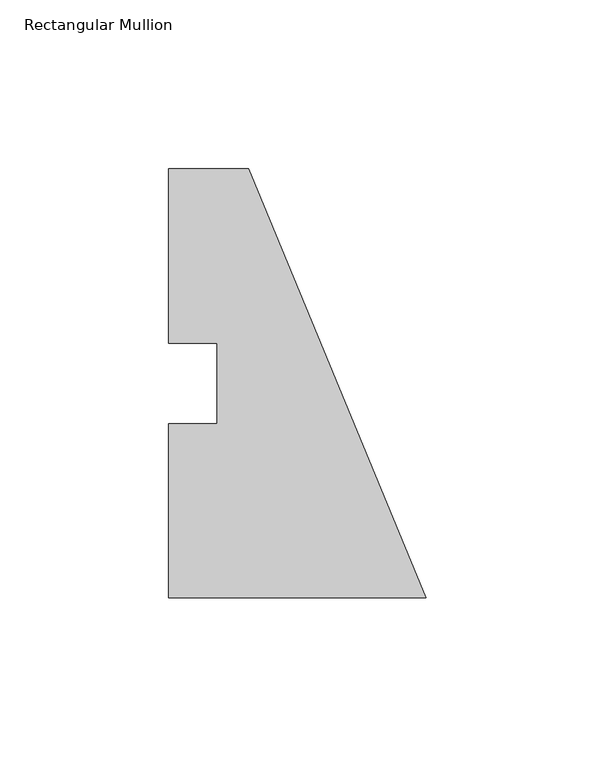
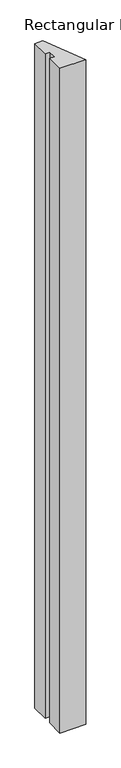
"""IFC4 building model written with IfcOpenShell, lengths in millimetres: member geometry, Rectangular Mullion."""

import ifcopenshell
import ifcopenshell.guid

model = None  # the IFC model being written
_history = None  # IfcOwnerHistory: only IFC2X3 demands one
_inside = {}  # id of a spatial element -> (the spatial element, [elements in it])
_under = {}  # id of a project, library or spatial element -> (it, [spatial elements below it])
_declared = {}  # id of a project -> (the project, [libraries it declares])
_typed = {}  # id of a type object -> (the type object, [elements of that type])
_made_of = {}  # id of a material, layer set ... -> (it, [elements and type objects made of it])


def new_model(schema):
    """Start an empty IFC model of exactly this schema.

    Asked for "IFC4X3", IfcOpenShell would pick the latest addendum, in which some entities
    have other attributes; the version numbers below select the first issue.
    IFC2X3 requires an IfcOwnerHistory on every rooted entity: one is made here for all.
    """
    global model, _history
    if schema == "IFC4X3":
        model = ifcopenshell.file(schema_version=(4, 3, 0, 0))
    else:
        model = ifcopenshell.file(schema=schema)
    _inside.clear()
    _under.clear()
    _declared.clear()
    _typed.clear()
    _made_of.clear()
    _history = None
    if model.schema == "IFC2X3":
        org = make("IfcOrganization", Name="unknown")
        user = make(
            "IfcPersonAndOrganization",
            ThePerson=make("IfcPerson", FamilyName="unknown"),
            TheOrganization=org,
        )
        app = make(
            "IfcApplication",
            ApplicationDeveloper=org,
            Version="unknown",
            ApplicationFullName="unknown",
            ApplicationIdentifier="unknown",
        )
        _history = make(
            "IfcOwnerHistory",
            OwningUser=user,
            OwningApplication=app,
            ChangeAction="ADDED",
            CreationDate=0,
        )
    return model


def make(cls, **values):
    """One entity of the class cls with the attributes given. An attribute that is None is left unset."""
    return model.create_entity(
        cls, **{name: value for name, value in values.items() if value is not None}
    )


def rooted(cls, **values):
    """An entity with a GlobalId (a new one), such as an element, a storey or a relation."""
    return make(cls, GlobalId=ifcopenshell.guid.new(), OwnerHistory=_history, **values)


def si_unit(unit_type, name, prefix=None):
    """IfcSIUnit, for example si_unit("LENGTHUNIT", "METRE", prefix="MILLI")."""
    return make("IfcSIUnit", UnitType=unit_type, Prefix=prefix, Name=name)


def assignment(units):
    """IfcUnitAssignment: the units of a project."""
    return None if units is None else make("IfcUnitAssignment", Units=units)


def point(xyz):
    """IfcCartesianPoint."""
    return None if xyz is None else make("IfcCartesianPoint", Coordinates=xyz)


def direction(xyz):
    """IfcDirection."""
    return None if xyz is None else make("IfcDirection", DirectionRatios=xyz)


def frame(location, z_axis=None, x_axis=None):
    """IfcAxis2Placement3D, a coordinate frame: its origin and axes. An axis left out is left unset."""
    return make(
        "IfcAxis2Placement3D",
        Location=point(location),
        Axis=direction(z_axis),
        RefDirection=direction(x_axis),
    )


def origin():
    """The frame at (0, 0, 0) with its axes left unset."""
    return frame((0.0, 0.0, 0.0))


def place(relative_to, where):
    """IfcLocalPlacement: puts the frame where relative to a parent placement (None: the world)."""
    return make(
        "IfcLocalPlacement", PlacementRelTo=relative_to, RelativePlacement=where
    )


def context(
    kind, dimensions, precision=None, world=None, true_north=None, identifier=None
):
    """IfcGeometricRepresentationContext, for example the 3D "Model" context."""
    return make(
        "IfcGeometricRepresentationContext",
        ContextIdentifier=identifier,
        ContextType=kind,
        CoordinateSpaceDimension=dimensions,
        Precision=precision,
        WorldCoordinateSystem=world,
        TrueNorth=true_north,
    )


def project(units=None, contexts=None):
    """IfcProject with its units and contexts."""
    return rooted(
        "IfcProject",
        Name="project",
        RepresentationContexts=contexts,
        UnitsInContext=assignment(units),
    )


def spatial(cls, under=None, at=None, **own):
    """A site, building, storey or space (cls), placed at a placement, below another one or the project."""
    s = rooted(cls, ObjectPlacement=at, **own)
    if under is not None:
        _under.setdefault(under.id(), (under, []))[1].append(s)
    return s


def polyline(points):
    """IfcPolyline through the points."""
    return make("IfcPolyline", Points=[point(p) for p in points])


def outline(outer, holes=None, kind="AREA"):
    """IfcArbitraryClosedProfileDef: a profile drawn as a closed curve; with holes, ...WithVoids."""
    if holes is None:
        return make("IfcArbitraryClosedProfileDef", ProfileType=kind, OuterCurve=outer)
    return make(
        "IfcArbitraryProfileDefWithVoids",
        ProfileType=kind,
        OuterCurve=outer,
        InnerCurves=holes,
    )


def extrude(swept, where, along, depth):
    """IfcExtrudedAreaSolid: the profile swept, set in the frame where, extruded along a direction by depth."""
    return make(
        "IfcExtrudedAreaSolid",
        SweptArea=swept,
        Position=where,
        ExtrudedDirection=direction(along),
        Depth=depth,
    )


def shape(context_of_items, identifier, shape_type, items):
    """IfcShapeRepresentation: the items that make up one representation, for example the "Body"."""
    return make(
        "IfcShapeRepresentation",
        ContextOfItems=context_of_items,
        RepresentationIdentifier=identifier,
        RepresentationType=shape_type,
        Items=items,
    )


def source(mapping_origin, context_of_items, identifier, shape_type, items):
    """IfcRepresentationMap: a shape defined once, which mapped items show again and again."""
    return make(
        "IfcRepresentationMap",
        MappingOrigin=mapping_origin,
        MappedRepresentation=shape(context_of_items, identifier, shape_type, items),
    )


def transform(
    local_origin,
    x_axis=None,
    y_axis=None,
    z_axis=None,
    scale=None,
    scale2=None,
    scale3=None,
    uniform=True,
):
    """IfcCartesianTransformationOperator3D, or its non-uniform kind. x_axis, y_axis, z_axis: its Axis1, 2, 3."""
    if uniform:
        return make(
            "IfcCartesianTransformationOperator3D",
            Axis1=direction(x_axis),
            Axis2=direction(y_axis),
            LocalOrigin=point(local_origin),
            Scale=scale,
            Axis3=direction(z_axis),
        )
    return make(
        "IfcCartesianTransformationOperator3DnonUniform",
        Axis1=direction(x_axis),
        Axis2=direction(y_axis),
        LocalOrigin=point(local_origin),
        Scale=scale,
        Axis3=direction(z_axis),
        Scale2=scale2,
        Scale3=scale3,
    )


def mapped(mapping_source, mapping_target):
    """IfcMappedItem: shows the shape of a source again, moved by a transform."""
    return make(
        "IfcMappedItem", MappingSource=mapping_source, MappingTarget=mapping_target
    )


def made_of(thing, what):
    """Note that an element or type object is made of a material, layer set ...; save() writes the relation."""
    if what is not None:
        _made_of.setdefault(what.id(), (what, []))[1].append(thing)
    return thing


def element(
    cls,
    number,
    at=None,
    inside=None,
    cuts=None,
    type_object=None,
    material=None,
    context=None,
    identifier="Body",
    shape_type=None,
    held_by="IfcProductDefinitionShape",
    body=None,
    shapes=None,
    **own,
):
    """One element of the class cls, such as IfcWall. Its Tag is "e" and its number.

    at: its placement. inside: the storey or other place that contains it. cuts: it is an
    opening in that element (IfcRelVoidsElement). A single representation is given by context,
    identifier, shape_type and body (its items); several are given by shapes. held_by: the class
    of the entity that holds the representations. save() writes the other relations.
    """
    e = rooted(cls, Tag="e%d" % number, ObjectPlacement=at, **own)
    if body is not None:
        shapes = [shape(context, identifier, shape_type, body)]
    if shapes is not None:
        e.Representation = make(held_by, Representations=shapes)
    if inside is not None:
        _inside.setdefault(inside.id(), (inside, []))[1].append(e)
    if cuts is not None:
        rooted(
            "IfcRelVoidsElement", RelatingBuildingElement=cuts, RelatedOpeningElement=e
        )
    if type_object is not None:
        _typed.setdefault(type_object.id(), (type_object, []))[1].append(e)
    return made_of(e, material)


def aggregate(whole, parts):
    """IfcRelAggregates: a whole, such as a stair, and the parts it consists of."""
    return rooted("IfcRelAggregates", RelatingObject=whole, RelatedObjects=parts)


def save(model, path):
    """Write the relations noted so far, then the file.

    IfcRelAggregates (storeys below a building ...), IfcRelContainedInSpatialStructure (elements
    in a storey), IfcRelDefinesByType, IfcRelAssociatesMaterial and IfcRelDeclares: one each for
    every whole, place, type object, material and project.
    """
    for whole, parts in _under.values():
        aggregate(whole, parts)
    for where, things in _inside.values():
        rooted(
            "IfcRelContainedInSpatialStructure",
            RelatedElements=things,
            RelatingStructure=where,
        )
    for kind, things in _typed.values():
        rooted("IfcRelDefinesByType", RelatedObjects=things, RelatingType=kind)
    for what, things in _made_of.values():
        rooted("IfcRelAssociatesMaterial", RelatedObjects=things, RelatingMaterial=what)
    for by, libraries in _declared.values():
        rooted("IfcRelDeclares", RelatingContext=by, RelatedDefinitions=libraries)
    model.write(path)


def rectangular_mullion_abc1296a(model_context):
    return source(origin(), model_context, "Body", "SweptSolid", [
        extrude(outline(polyline([(-76.2, 0.00635), (-76.2, 51.60645), (-61.9125, 51.60645), (-61.9125, 75.40625), (-76.2, 75.40625), (-76.2, 127.00635), (-52.6051224, 127.00635), (0.0, 0.00635), (-76.2, 0.00635)])), frame((0.0, 0.0, -2057.4), z_axis=(0.0, 0.0, 1.0), x_axis=(1.0, 0.0, 0.0)), (0.0, 0.0, 1.0), 2057.4),
    ])


if __name__ == "__main__":
    model = new_model("IFC4")
    model_context = context("Model", 3, world=origin())
    ifc_project = project(units=[si_unit("LENGTHUNIT", "METRE", prefix="MILLI")], contexts=[model_context])
    site = spatial("IfcSite", under=ifc_project)
    building = spatial("IfcBuilding", under=site)
    placement = place(None, origin())
    rectangular_mullion_shape = rectangular_mullion_abc1296a(model_context)
    element("IfcMember", 1, ObjectType="Rectangular Mullion", at=placement, inside=building, context=model_context, shape_type="MappedRepresentation", body=[
        mapped(rectangular_mullion_shape, transform((0.0, 0.0, 0.0), x_axis=(1.0, 0.0, 0.0), y_axis=(0.0, 1.0, 0.0), z_axis=(0.0, 0.0, 1.0))),
    ])
    save(model, "model.ifc")
